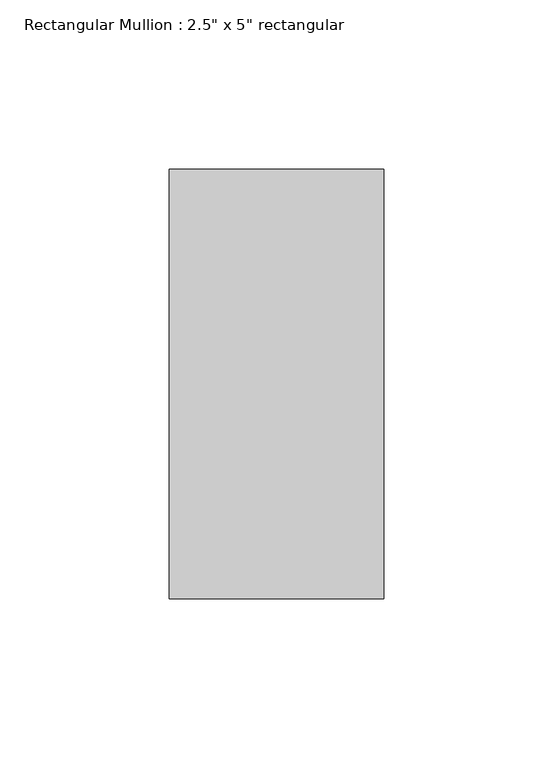
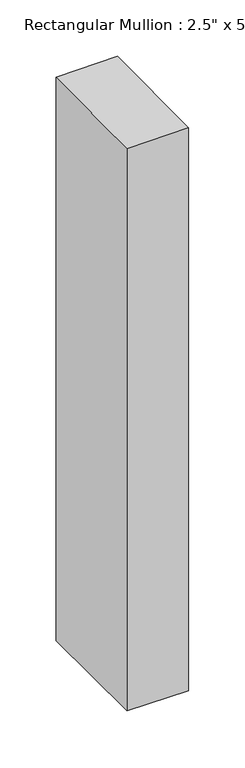
"""IFC4 building model written with IfcOpenShell, lengths in millimetres: member geometry."""

import ifcopenshell
import ifcopenshell.guid

model = None  # the IFC model being written
_history = None  # IfcOwnerHistory: only IFC2X3 demands one
_inside = {}  # id of a spatial element -> (the spatial element, [elements in it])
_under = {}  # id of a project, library or spatial element -> (it, [spatial elements below it])
_declared = {}  # id of a project -> (the project, [libraries it declares])
_typed = {}  # id of a type object -> (the type object, [elements of that type])
_made_of = {}  # id of a material, layer set ... -> (it, [elements and type objects made of it])


def new_model(schema):
    """Start an empty IFC model of exactly this schema.

    Asked for "IFC4X3", IfcOpenShell would pick the latest addendum, in which some entities
    have other attributes; the version numbers below select the first issue.
    IFC2X3 requires an IfcOwnerHistory on every rooted entity: one is made here for all.
    """
    global model, _history
    if schema == "IFC4X3":
        model = ifcopenshell.file(schema_version=(4, 3, 0, 0))
    else:
        model = ifcopenshell.file(schema=schema)
    _inside.clear()
    _under.clear()
    _declared.clear()
    _typed.clear()
    _made_of.clear()
    _history = None
    if model.schema == "IFC2X3":
        org = make("IfcOrganization", Name="unknown")
        user = make(
            "IfcPersonAndOrganization",
            ThePerson=make("IfcPerson", FamilyName="unknown"),
            TheOrganization=org,
        )
        app = make(
            "IfcApplication",
            ApplicationDeveloper=org,
            Version="unknown",
            ApplicationFullName="unknown",
            ApplicationIdentifier="unknown",
        )
        _history = make(
            "IfcOwnerHistory",
            OwningUser=user,
            OwningApplication=app,
            ChangeAction="ADDED",
            CreationDate=0,
        )
    return model


def make(cls, **values):
    """One entity of the class cls with the attributes given. An attribute that is None is left unset."""
    return model.create_entity(
        cls, **{name: value for name, value in values.items() if value is not None}
    )


def rooted(cls, **values):
    """An entity with a GlobalId (a new one), such as an element, a storey or a relation."""
    return make(cls, GlobalId=ifcopenshell.guid.new(), OwnerHistory=_history, **values)


def si_unit(unit_type, name, prefix=None):
    """IfcSIUnit, for example si_unit("LENGTHUNIT", "METRE", prefix="MILLI")."""
    return make("IfcSIUnit", UnitType=unit_type, Prefix=prefix, Name=name)


def assignment(units):
    """IfcUnitAssignment: the units of a project."""
    return None if units is None else make("IfcUnitAssignment", Units=units)


def point(xyz):
    """IfcCartesianPoint."""
    return None if xyz is None else make("IfcCartesianPoint", Coordinates=xyz)


def direction(xyz):
    """IfcDirection."""
    return None if xyz is None else make("IfcDirection", DirectionRatios=xyz)


def frame(location, z_axis=None, x_axis=None):
    """IfcAxis2Placement3D, a coordinate frame: its origin and axes. An axis left out is left unset."""
    return make(
        "IfcAxis2Placement3D",
        Location=point(location),
        Axis=direction(z_axis),
        RefDirection=direction(x_axis),
    )


def origin():
    """The frame at (0, 0, 0) with its axes left unset."""
    return frame((0.0, 0.0, 0.0))


def place(relative_to, where):
    """IfcLocalPlacement: puts the frame where relative to a parent placement (None: the world)."""
    return make(
        "IfcLocalPlacement", PlacementRelTo=relative_to, RelativePlacement=where
    )


def context(
    kind, dimensions, precision=None, world=None, true_north=None, identifier=None
):
    """IfcGeometricRepresentationContext, for example the 3D "Model" context."""
    return make(
        "IfcGeometricRepresentationContext",
        ContextIdentifier=identifier,
        ContextType=kind,
        CoordinateSpaceDimension=dimensions,
        Precision=precision,
        WorldCoordinateSystem=world,
        TrueNorth=true_north,
    )


def project(units=None, contexts=None):
    """IfcProject with its units and contexts."""
    return rooted(
        "IfcProject",
        Name="project",
        RepresentationContexts=contexts,
        UnitsInContext=assignment(units),
    )


def spatial(cls, under=None, at=None, **own):
    """A site, building, storey or space (cls), placed at a placement, below another one or the project."""
    s = rooted(cls, ObjectPlacement=at, **own)
    if under is not None:
        _under.setdefault(under.id(), (under, []))[1].append(s)
    return s


def faces_of(points, faces, orient=None, outer=None):
    """IfcFace entities. A face is a list of loops; a loop is a list of indices into points, from 0.

    orient and outer hold one flag for each loop. By default every Orientation is true, the
    first loop of a face is its IfcFaceOuterBound and the others are IfcFaceBound.
    """
    made = []
    for i, loops in enumerate(faces):
        bounds = []
        for j, loop in enumerate(loops):
            is_outer = j == 0 if outer is None else outer[i][j]
            bounds.append(
                make(
                    "IfcFaceOuterBound" if is_outer else "IfcFaceBound",
                    Bound=make("IfcPolyLoop", Polygon=[points[k] for k in loop]),
                    Orientation=True if orient is None else orient[i][j],
                )
            )
        made.append(make("IfcFace", Bounds=bounds))
    return made


def faceted_brep(points, faces, orient=None, outer=None, voids=None):
    """IfcFacetedBrep: a solid bounded by flat faces; with voids (closed shells), ...WithVoids."""
    shared = [point(p) for p in points]
    hull = make("IfcClosedShell", CfsFaces=faces_of(shared, faces, orient, outer))
    if voids is None:
        return make("IfcFacetedBrep", Outer=hull)
    return make(
        "IfcFacetedBrepWithVoids",
        Outer=hull,
        Voids=[
            make(cls, CfsFaces=faces_of(shared, fs, o, b)) for cls, fs, o, b in voids
        ],
    )


def shape(context_of_items, identifier, shape_type, items):
    """IfcShapeRepresentation: the items that make up one representation, for example the "Body"."""
    return make(
        "IfcShapeRepresentation",
        ContextOfItems=context_of_items,
        RepresentationIdentifier=identifier,
        RepresentationType=shape_type,
        Items=items,
    )


def source(mapping_origin, context_of_items, identifier, shape_type, items):
    """IfcRepresentationMap: a shape defined once, which mapped items show again and again."""
    return make(
        "IfcRepresentationMap",
        MappingOrigin=mapping_origin,
        MappedRepresentation=shape(context_of_items, identifier, shape_type, items),
    )


def transform(
    local_origin,
    x_axis=None,
    y_axis=None,
    z_axis=None,
    scale=None,
    scale2=None,
    scale3=None,
    uniform=True,
):
    """IfcCartesianTransformationOperator3D, or its non-uniform kind. x_axis, y_axis, z_axis: its Axis1, 2, 3."""
    if uniform:
        return make(
            "IfcCartesianTransformationOperator3D",
            Axis1=direction(x_axis),
            Axis2=direction(y_axis),
            LocalOrigin=point(local_origin),
            Scale=scale,
            Axis3=direction(z_axis),
        )
    return make(
        "IfcCartesianTransformationOperator3DnonUniform",
        Axis1=direction(x_axis),
        Axis2=direction(y_axis),
        LocalOrigin=point(local_origin),
        Scale=scale,
        Axis3=direction(z_axis),
        Scale2=scale2,
        Scale3=scale3,
    )


def mapped(mapping_source, mapping_target):
    """IfcMappedItem: shows the shape of a source again, moved by a transform."""
    return make(
        "IfcMappedItem", MappingSource=mapping_source, MappingTarget=mapping_target
    )


def made_of(thing, what):
    """Note that an element or type object is made of a material, layer set ...; save() writes the relation."""
    if what is not None:
        _made_of.setdefault(what.id(), (what, []))[1].append(thing)
    return thing


def element(
    cls,
    number,
    at=None,
    inside=None,
    cuts=None,
    type_object=None,
    material=None,
    context=None,
    identifier="Body",
    shape_type=None,
    held_by="IfcProductDefinitionShape",
    body=None,
    shapes=None,
    **own,
):
    """One element of the class cls, such as IfcWall. Its Tag is "e" and its number.

    at: its placement. inside: the storey or other place that contains it. cuts: it is an
    opening in that element (IfcRelVoidsElement). A single representation is given by context,
    identifier, shape_type and body (its items); several are given by shapes. held_by: the class
    of the entity that holds the representations. save() writes the other relations.
    """
    e = rooted(cls, Tag="e%d" % number, ObjectPlacement=at, **own)
    if body is not None:
        shapes = [shape(context, identifier, shape_type, body)]
    if shapes is not None:
        e.Representation = make(held_by, Representations=shapes)
    if inside is not None:
        _inside.setdefault(inside.id(), (inside, []))[1].append(e)
    if cuts is not None:
        rooted(
            "IfcRelVoidsElement", RelatingBuildingElement=cuts, RelatedOpeningElement=e
        )
    if type_object is not None:
        _typed.setdefault(type_object.id(), (type_object, []))[1].append(e)
    return made_of(e, material)


def aggregate(whole, parts):
    """IfcRelAggregates: a whole, such as a stair, and the parts it consists of."""
    return rooted("IfcRelAggregates", RelatingObject=whole, RelatedObjects=parts)


def save(model, path):
    """Write the relations noted so far, then the file.

    IfcRelAggregates (storeys below a building ...), IfcRelContainedInSpatialStructure (elements
    in a storey), IfcRelDefinesByType, IfcRelAssociatesMaterial and IfcRelDeclares: one each for
    every whole, place, type object, material and project.
    """
    for whole, parts in _under.values():
        aggregate(whole, parts)
    for where, things in _inside.values():
        rooted(
            "IfcRelContainedInSpatialStructure",
            RelatedElements=things,
            RelatingStructure=where,
        )
    for kind, things in _typed.values():
        rooted("IfcRelDefinesByType", RelatedObjects=things, RelatingType=kind)
    for what, things in _made_of.values():
        rooted("IfcRelAssociatesMaterial", RelatedObjects=things, RelatingMaterial=what)
    for by, libraries in _declared.values():
        rooted("IfcRelDeclares", RelatingContext=by, RelatedDefinitions=libraries)
    model.write(path)


def member_9f2d70d8(model_context):
    return source(origin(), model_context, "Body", "Brep", [
        faceted_brep([(-63.5, 63.5, -0.2704933), (0.0, 63.5, 0.3877926), (0.0, 63.5, -614.3592249), (-63.5, 63.5, -613.8607389), (-63.5, -63.5, -1.0460785), (-63.5, -63.5, -613.0885008), (0.0, -63.5, -0.3877926), (0.0, -63.5, -613.5869869)], [[[0, 1, 2, 3]], [[4, 0, 3, 5]], [[6, 4, 5, 7]], [[1, 6, 7, 2]], [[1, 0, 4, 6]], [[2, 7, 5, 3]]]),
    ])


if __name__ == "__main__":
    model = new_model("IFC4")
    model_context = context("Model", 3, world=origin())
    ifc_project = project(units=[si_unit("LENGTHUNIT", "METRE", prefix="MILLI")], contexts=[model_context])
    site = spatial("IfcSite", under=ifc_project)
    building = spatial("IfcBuilding", under=site)
    placement = place(None, origin())
    member_shape = member_9f2d70d8(model_context)
    element("IfcMember", 1, ObjectType="Rectangular Mullion : 2.5\" x 5\" rectangular", at=placement, inside=building, context=model_context, shape_type="MappedRepresentation", body=[
        mapped(member_shape, transform((0.0, 0.0, 0.0), x_axis=(1.0, 0.0, 0.0), y_axis=(0.0, 1.0, 0.0), z_axis=(0.0, 0.0, 1.0))),
    ])
    save(model, "model.ifc")
